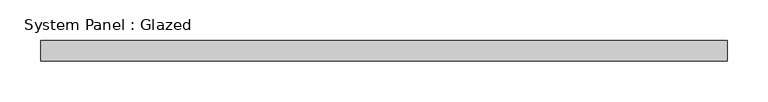
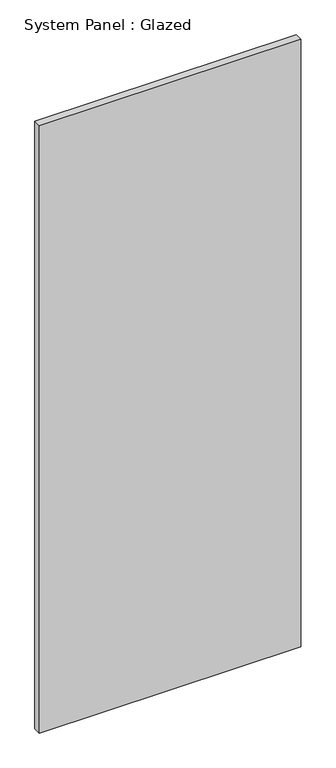
"""IFC4 building model written with IfcOpenShell, lengths in millimetres: plate geometry, System Panel : Glazed."""

import ifcopenshell
import ifcopenshell.guid

model = None  # the IFC model being written
_history = None  # IfcOwnerHistory: only IFC2X3 demands one
_inside = {}  # id of a spatial element -> (the spatial element, [elements in it])
_under = {}  # id of a project, library or spatial element -> (it, [spatial elements below it])
_declared = {}  # id of a project -> (the project, [libraries it declares])
_typed = {}  # id of a type object -> (the type object, [elements of that type])
_made_of = {}  # id of a material, layer set ... -> (it, [elements and type objects made of it])


def new_model(schema):
    """Start an empty IFC model of exactly this schema.

    Asked for "IFC4X3", IfcOpenShell would pick the latest addendum, in which some entities
    have other attributes; the version numbers below select the first issue.
    IFC2X3 requires an IfcOwnerHistory on every rooted entity: one is made here for all.
    """
    global model, _history
    if schema == "IFC4X3":
        model = ifcopenshell.file(schema_version=(4, 3, 0, 0))
    else:
        model = ifcopenshell.file(schema=schema)
    _inside.clear()
    _under.clear()
    _declared.clear()
    _typed.clear()
    _made_of.clear()
    _history = None
    if model.schema == "IFC2X3":
        org = make("IfcOrganization", Name="unknown")
        user = make(
            "IfcPersonAndOrganization",
            ThePerson=make("IfcPerson", FamilyName="unknown"),
            TheOrganization=org,
        )
        app = make(
            "IfcApplication",
            ApplicationDeveloper=org,
            Version="unknown",
            ApplicationFullName="unknown",
            ApplicationIdentifier="unknown",
        )
        _history = make(
            "IfcOwnerHistory",
            OwningUser=user,
            OwningApplication=app,
            ChangeAction="ADDED",
            CreationDate=0,
        )
    return model


def make(cls, **values):
    """One entity of the class cls with the attributes given. An attribute that is None is left unset."""
    return model.create_entity(
        cls, **{name: value for name, value in values.items() if value is not None}
    )


def rooted(cls, **values):
    """An entity with a GlobalId (a new one), such as an element, a storey or a relation."""
    return make(cls, GlobalId=ifcopenshell.guid.new(), OwnerHistory=_history, **values)


def si_unit(unit_type, name, prefix=None):
    """IfcSIUnit, for example si_unit("LENGTHUNIT", "METRE", prefix="MILLI")."""
    return make("IfcSIUnit", UnitType=unit_type, Prefix=prefix, Name=name)


def assignment(units):
    """IfcUnitAssignment: the units of a project."""
    return None if units is None else make("IfcUnitAssignment", Units=units)


def point(xyz):
    """IfcCartesianPoint."""
    return None if xyz is None else make("IfcCartesianPoint", Coordinates=xyz)


def direction(xyz):
    """IfcDirection."""
    return None if xyz is None else make("IfcDirection", DirectionRatios=xyz)


def frame(location, z_axis=None, x_axis=None):
    """IfcAxis2Placement3D, a coordinate frame: its origin and axes. An axis left out is left unset."""
    return make(
        "IfcAxis2Placement3D",
        Location=point(location),
        Axis=direction(z_axis),
        RefDirection=direction(x_axis),
    )


def origin():
    """The frame at (0, 0, 0) with its axes left unset."""
    return frame((0.0, 0.0, 0.0))


def origin_with_axes():
    """The frame at (0, 0, 0) with the z axis (0, 0, 1) and the x axis (1, 0, 0) written out."""
    return frame((0.0, 0.0, 0.0), z_axis=(0.0, 0.0, 1.0), x_axis=(1.0, 0.0, 0.0))


def place(relative_to, where):
    """IfcLocalPlacement: puts the frame where relative to a parent placement (None: the world)."""
    return make(
        "IfcLocalPlacement", PlacementRelTo=relative_to, RelativePlacement=where
    )


def context(
    kind, dimensions, precision=None, world=None, true_north=None, identifier=None
):
    """IfcGeometricRepresentationContext, for example the 3D "Model" context."""
    return make(
        "IfcGeometricRepresentationContext",
        ContextIdentifier=identifier,
        ContextType=kind,
        CoordinateSpaceDimension=dimensions,
        Precision=precision,
        WorldCoordinateSystem=world,
        TrueNorth=true_north,
    )


def project(units=None, contexts=None):
    """IfcProject with its units and contexts."""
    return rooted(
        "IfcProject",
        Name="project",
        RepresentationContexts=contexts,
        UnitsInContext=assignment(units),
    )


def spatial(cls, under=None, at=None, **own):
    """A site, building, storey or space (cls), placed at a placement, below another one or the project."""
    s = rooted(cls, ObjectPlacement=at, **own)
    if under is not None:
        _under.setdefault(under.id(), (under, []))[1].append(s)
    return s


def polyline(points):
    """IfcPolyline through the points."""
    return make("IfcPolyline", Points=[point(p) for p in points])


def outline(outer, holes=None, kind="AREA"):
    """IfcArbitraryClosedProfileDef: a profile drawn as a closed curve; with holes, ...WithVoids."""
    if holes is None:
        return make("IfcArbitraryClosedProfileDef", ProfileType=kind, OuterCurve=outer)
    return make(
        "IfcArbitraryProfileDefWithVoids",
        ProfileType=kind,
        OuterCurve=outer,
        InnerCurves=holes,
    )


def extrude(swept, where, along, depth):
    """IfcExtrudedAreaSolid: the profile swept, set in the frame where, extruded along a direction by depth."""
    return make(
        "IfcExtrudedAreaSolid",
        SweptArea=swept,
        Position=where,
        ExtrudedDirection=direction(along),
        Depth=depth,
    )


def shape(context_of_items, identifier, shape_type, items):
    """IfcShapeRepresentation: the items that make up one representation, for example the "Body"."""
    return make(
        "IfcShapeRepresentation",
        ContextOfItems=context_of_items,
        RepresentationIdentifier=identifier,
        RepresentationType=shape_type,
        Items=items,
    )


def source(mapping_origin, context_of_items, identifier, shape_type, items):
    """IfcRepresentationMap: a shape defined once, which mapped items show again and again."""
    return make(
        "IfcRepresentationMap",
        MappingOrigin=mapping_origin,
        MappedRepresentation=shape(context_of_items, identifier, shape_type, items),
    )


def transform(
    local_origin,
    x_axis=None,
    y_axis=None,
    z_axis=None,
    scale=None,
    scale2=None,
    scale3=None,
    uniform=True,
):
    """IfcCartesianTransformationOperator3D, or its non-uniform kind. x_axis, y_axis, z_axis: its Axis1, 2, 3."""
    if uniform:
        return make(
            "IfcCartesianTransformationOperator3D",
            Axis1=direction(x_axis),
            Axis2=direction(y_axis),
            LocalOrigin=point(local_origin),
            Scale=scale,
            Axis3=direction(z_axis),
        )
    return make(
        "IfcCartesianTransformationOperator3DnonUniform",
        Axis1=direction(x_axis),
        Axis2=direction(y_axis),
        LocalOrigin=point(local_origin),
        Scale=scale,
        Axis3=direction(z_axis),
        Scale2=scale2,
        Scale3=scale3,
    )


def mapped(mapping_source, mapping_target):
    """IfcMappedItem: shows the shape of a source again, moved by a transform."""
    return make(
        "IfcMappedItem", MappingSource=mapping_source, MappingTarget=mapping_target
    )


def made_of(thing, what):
    """Note that an element or type object is made of a material, layer set ...; save() writes the relation."""
    if what is not None:
        _made_of.setdefault(what.id(), (what, []))[1].append(thing)
    return thing


def element(
    cls,
    number,
    at=None,
    inside=None,
    cuts=None,
    type_object=None,
    material=None,
    context=None,
    identifier="Body",
    shape_type=None,
    held_by="IfcProductDefinitionShape",
    body=None,
    shapes=None,
    **own,
):
    """One element of the class cls, such as IfcWall. Its Tag is "e" and its number.

    at: its placement. inside: the storey or other place that contains it. cuts: it is an
    opening in that element (IfcRelVoidsElement). A single representation is given by context,
    identifier, shape_type and body (its items); several are given by shapes. held_by: the class
    of the entity that holds the representations. save() writes the other relations.
    """
    e = rooted(cls, Tag="e%d" % number, ObjectPlacement=at, **own)
    if body is not None:
        shapes = [shape(context, identifier, shape_type, body)]
    if shapes is not None:
        e.Representation = make(held_by, Representations=shapes)
    if inside is not None:
        _inside.setdefault(inside.id(), (inside, []))[1].append(e)
    if cuts is not None:
        rooted(
            "IfcRelVoidsElement", RelatingBuildingElement=cuts, RelatedOpeningElement=e
        )
    if type_object is not None:
        _typed.setdefault(type_object.id(), (type_object, []))[1].append(e)
    return made_of(e, material)


def aggregate(whole, parts):
    """IfcRelAggregates: a whole, such as a stair, and the parts it consists of."""
    return rooted("IfcRelAggregates", RelatingObject=whole, RelatedObjects=parts)


def save(model, path):
    """Write the relations noted so far, then the file.

    IfcRelAggregates (storeys below a building ...), IfcRelContainedInSpatialStructure (elements
    in a storey), IfcRelDefinesByType, IfcRelAssociatesMaterial and IfcRelDeclares: one each for
    every whole, place, type object, material and project.
    """
    for whole, parts in _under.values():
        aggregate(whole, parts)
    for where, things in _inside.values():
        rooted(
            "IfcRelContainedInSpatialStructure",
            RelatedElements=things,
            RelatingStructure=where,
        )
    for kind, things in _typed.values():
        rooted("IfcRelDefinesByType", RelatedObjects=things, RelatingType=kind)
    for what, things in _made_of.values():
        rooted("IfcRelAssociatesMaterial", RelatedObjects=things, RelatingMaterial=what)
    for by, libraries in _declared.values():
        rooted("IfcRelDeclares", RelatingContext=by, RelatedDefinitions=libraries)
    model.write(path)


def system_panel_glazed_e3476f97(model_context):
    return source(origin(), model_context, "Body", "SweptSolid", [
        extrude(outline(polyline([(422.6459574, 19.05), (-422.6459574, 19.05), (-422.6459574, 44.45), (422.6459574, 44.45), (422.6459574, 19.05)])), origin_with_axes(), (0.0, 0.0, 1.0), 2076.45),
    ])


if __name__ == "__main__":
    model = new_model("IFC4")
    model_context = context("Model", 3, world=origin())
    ifc_project = project(units=[si_unit("LENGTHUNIT", "METRE", prefix="MILLI")], contexts=[model_context])
    site = spatial("IfcSite", under=ifc_project)
    building = spatial("IfcBuilding", under=site)
    placement = place(None, origin())
    system_panel_glazed_shape = system_panel_glazed_e3476f97(model_context)
    element("IfcPlate", 1, ObjectType="System Panel : Glazed", at=placement, inside=building, context=model_context, shape_type="MappedRepresentation", body=[
        mapped(system_panel_glazed_shape, transform((0.0, 0.0, 0.0), x_axis=(1.0, 0.0, 0.0), y_axis=(0.0, 1.0, 0.0), z_axis=(0.0, 0.0, 1.0))),
    ])
    save(model, "model.ifc")
